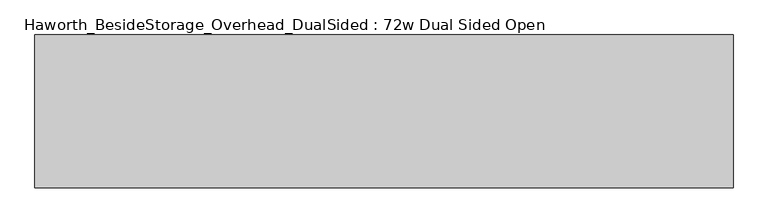
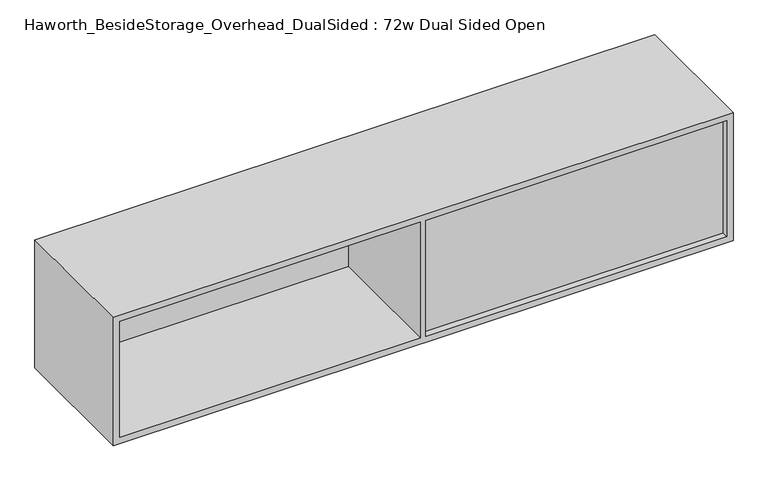
"""IFC4 building model written with IfcOpenShell, lengths in millimetres: furniture geometry, Haworth_BesideStorage_Overhead_DualSided : 72w Dual Sided Open."""

from ifc_helpers import new_model, si_unit, frame, origin, place, context, project, spatial, polyline, outline, extrude, source, transform, mapped, element, save


def haworth_besidestorage_overhead_dualsided_72w_dual_sided_open_92d2c252(model_context):
    return source(origin(), model_context, "Body", "SweptSolid", [
        extrude(outline(polyline([(-64.8684159, -371.475), (822.5440841, -371.475), (822.5440841, -384.175), (-64.8684159, -384.175), (-64.8684159, -371.475)])), frame((0.0, 0.0, 781.05), z_axis=(0.0, 0.0, 1.0), x_axis=(1.0, 0.0, 0.0)), (0.0, 0.0, 1.0), 361.95),
        extrude(outline(polyline([(-968.1559159, -22.225), (-80.7434159, -22.225), (-80.7434159, -34.925), (-968.1559159, -34.925), (-968.1559159, -22.225)])), frame((0.0, 0.0, 781.05), z_axis=(0.0, 0.0, 1.0), x_axis=(1.0, 0.0, 0.0)), (0.0, 0.0, 1.0), 361.95),
        extrude(outline(polyline([(762.0, 841.5940841), (1162.05, 841.5940841), (1162.05, -987.2059159), (762.0, -987.2059159), (762.0, 841.5940841)]), holes=[polyline([(1143.0, -80.7434159), (781.05, -80.7434159), (781.05, -968.1559159), (1143.0, -968.1559159), (1143.0, -80.7434159)]), polyline([(781.05, 822.5440841), (781.05, -64.8684159), (1143.0, -64.8684159), (1143.0, 822.5440841), (781.05, 822.5440841)])]), frame((0.0, -403.225, 0.0), z_axis=(0.0, 1.0, 0.0), x_axis=(0.0, 0.0, 1.0)), (0.0, 0.0, 1.0), 400.05),
    ])


if __name__ == "__main__":
    model = new_model("IFC4")
    model_context = context("Model", 3, world=origin())
    ifc_project = project(units=[si_unit("LENGTHUNIT", "METRE", prefix="MILLI")], contexts=[model_context])
    site = spatial("IfcSite", under=ifc_project)
    building = spatial("IfcBuilding", under=site)
    placement = place(None, origin())
    haworth_besidestorage_overhead_dualsided_72w_dual_sided_open_shape = haworth_besidestorage_overhead_dualsided_72w_dual_sided_open_92d2c252(model_context)
    element("IfcFurniture", 1, ObjectType="Haworth_BesideStorage_Overhead_DualSided : 72w Dual Sided Open", at=placement, inside=building, context=model_context, shape_type="MappedRepresentation", body=[
        mapped(haworth_besidestorage_overhead_dualsided_72w_dual_sided_open_shape, transform((0.0, 0.0, 0.0), x_axis=(1.0, 0.0, 0.0), y_axis=(0.0, 1.0, 0.0), z_axis=(0.0, 0.0, 1.0))),
    ])
    save(model, "model.ifc")
